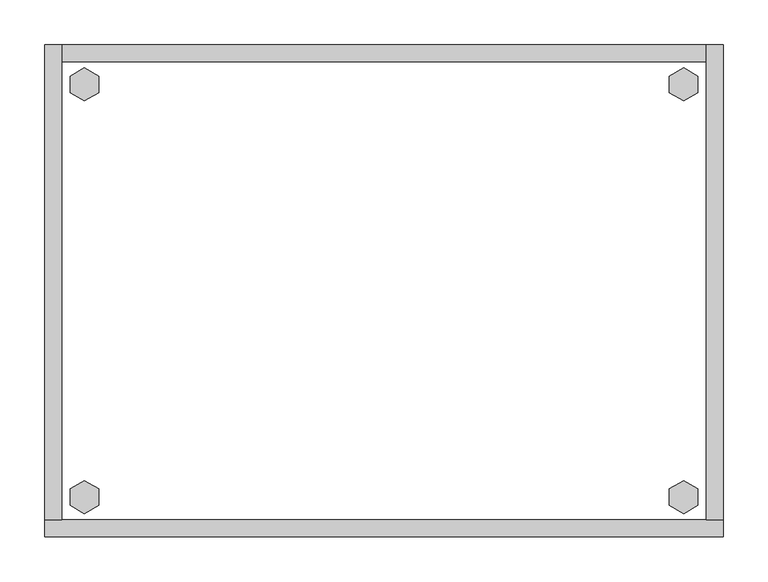
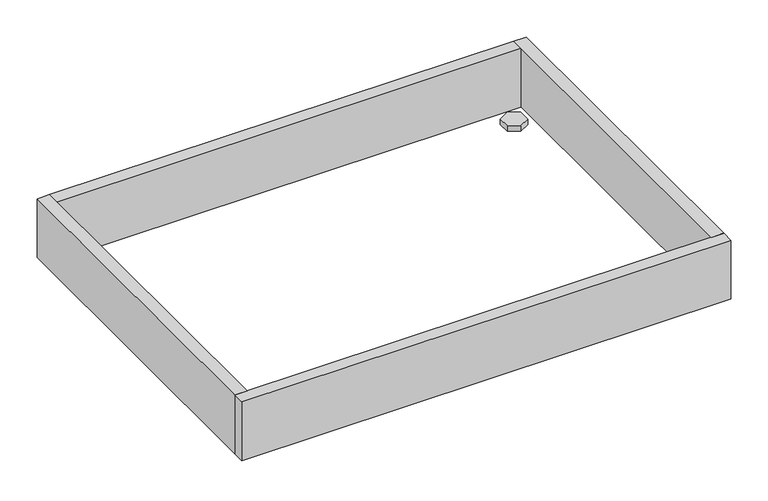
"""IFC4 building model written with IfcOpenShell, lengths in millimetres: furniture geometry."""

from ifc_helpers import new_model, si_unit, frame, origin, origin_with_axes, place, context, project, spatial, polyline, outline, extrude, source, transform, mapped, element, save


def furniture_3020c5eb(model_context):
    return source(origin(), model_context, "Body", "SweptSolid", [
        extrude(outline(polyline([(701.3735422, -498.8179), (717.3214, -489.6104), (733.2692578, -498.8179), (733.2692578, -517.2329), (717.3214, -526.4404), (701.3735422, -517.2329), (701.3735422, -498.8179)])), origin_with_axes(), (0.0, 0.0, 1.0), 9.144),
        extrude(outline(polyline([(701.3735422, -35.4711), (717.3214, -26.2636), (733.2692578, -35.4711), (733.2692578, -53.8861), (717.3214, -63.0936), (701.3735422, -53.8861), (701.3735422, -35.4711)])), origin_with_axes(), (0.0, 0.0, 1.0), 9.144),
        extrude(outline(polyline([(28.7307422, -498.8179), (44.6786, -489.6104), (60.6264578, -498.8179), (60.6264578, -517.2329), (44.6786, -526.4404), (28.7307422, -517.2329), (28.7307422, -498.8179)])), origin_with_axes(), (0.0, 0.0, 1.0), 9.144),
        extrude(outline(polyline([(28.7307422, -35.4711), (44.6786, -26.2636), (60.6264578, -35.4711), (60.6264578, -53.8861), (44.6786, -63.0936), (28.7307422, -53.8861), (28.7307422, -35.4711)])), origin_with_axes(), (0.0, 0.0, 1.0), 9.144),
        extrude(outline(polyline([(19.304, 0.0), (19.304, -533.4), (0.0, -533.4), (0.0, 0.0), (19.304, 0.0)])), frame((0.0, 0.0, 4.699), z_axis=(0.0, 0.0, 1.0), x_axis=(1.0, 0.0, 0.0)), (0.0, 0.0, 1.0), 96.901),
        extrude(outline(polyline([(762.0, 0.0), (762.0, -533.4), (742.696, -533.4), (742.696, 0.0), (762.0, 0.0)])), frame((0.0, 0.0, 4.699), z_axis=(0.0, 0.0, 1.0), x_axis=(1.0, 0.0, 0.0)), (0.0, 0.0, 1.0), 96.901),
        extrude(outline(polyline([(742.696, -19.304), (19.304, -19.304), (19.304, 0.0), (742.696, 0.0), (742.696, -19.304)])), frame((0.0, 0.0, 4.699), z_axis=(0.0, 0.0, 1.0), x_axis=(1.0, 0.0, 0.0)), (0.0, 0.0, 1.0), 96.901),
        extrude(outline(polyline([(762.0, -533.4), (762.0, -552.704), (0.0, -552.704), (0.0, -533.4), (762.0, -533.4)])), frame((0.0, 0.0, 4.699), z_axis=(0.0, 0.0, 1.0), x_axis=(1.0, 0.0, 0.0)), (0.0, 0.0, 1.0), 96.901),
    ])


if __name__ == "__main__":
    model = new_model("IFC4")
    model_context = context("Model", 3, world=origin())
    ifc_project = project(units=[si_unit("LENGTHUNIT", "METRE", prefix="MILLI")], contexts=[model_context])
    site = spatial("IfcSite", under=ifc_project)
    building = spatial("IfcBuilding", under=site)
    placement = place(None, origin())
    furniture_shape = furniture_3020c5eb(model_context)
    element("IfcFurniture", 1, at=placement, inside=building, context=model_context, shape_type="MappedRepresentation", body=[
        mapped(furniture_shape, transform((0.0, 0.0, 0.0), x_axis=(1.0, 0.0, 0.0), y_axis=(0.0, 1.0, 0.0), z_axis=(0.0, 0.0, 1.0))),
    ])
    save(model, "model.ifc")
